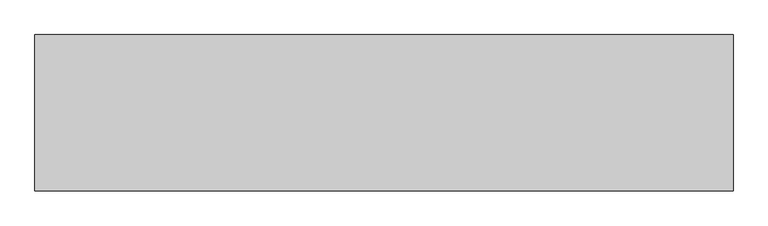
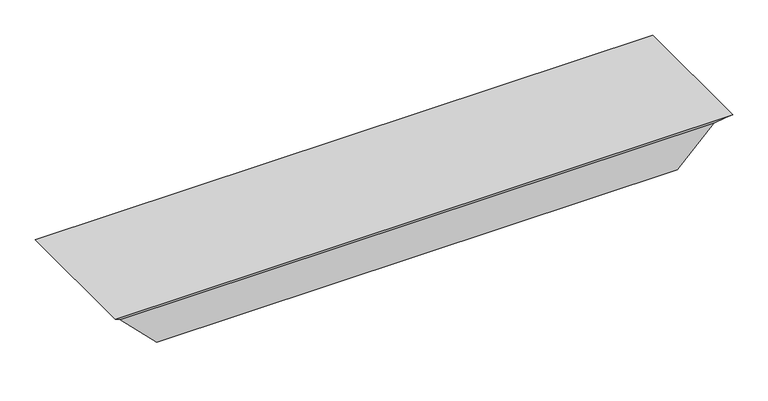
"""IFC4 building model written with IfcOpenShell, lengths in millimetres: proxy geometry."""

from ifc_helpers import new_model, si_unit, origin, place, context, project, spatial, faceted_brep, source, transform, mapped, element, save


def generic_models_a2ac9e7b(model_context):
    return source(origin(), model_context, "Body", "Brep", [
        faceted_brep([(0.0, 202.0, 0.0), (51.5857864, 202.0, -51.5857864), (948.4142136, 202.0, -51.5857864), (1000.0, 202.0, 0.0), (1007.0, 202.0, 7.0), (-7.0, 202.0, 7.0), (-7.0, -22.3847763, 7.0), (1007.0, -22.3847763, 7.0), (11.3847763, -4.0, -11.3847763), (0.0, -15.3847763, 0.0), (1000.0, -15.3847763, 0.0), (988.6152237, -4.0, -11.3847763), (70.7989899, -4.0, -70.7989899), (929.2010101, -4.0, -70.7989899), (70.7989899, -3.0, -70.7989899), (929.2010101, -3.0, -70.7989899), (61.7989899, -3.0, -61.7989899), (938.2010101, -3.0, -61.7989899), (61.7989899, -2.0, -61.7989899), (938.2010101, -2.0, -61.7989899), (71.7989899, -2.0, -71.7989899), (928.2010101, -2.0, -71.7989899), (71.7989899, -5.0, -71.7989899), (928.2010101, -5.0, -71.7989899), (11.7989899, -5.0, -11.7989899), (988.2010101, -5.0, -11.7989899), (0.0, -16.7989899, 0.0), (1000.0, -16.7989899, 0.0), (1008.0, -24.7989899, 8.0), (-8.0, -24.7989899, 8.0), (-8.0, 203.0, 8.0), (1008.0, 203.0, 8.0), (52.0, 203.0, -52.0), (0.0, 203.0, 0.0), (1000.0, 203.0, 0.0), (948.0, 203.0, -52.0), (73.2132034, 181.7867966, -73.2132034), (926.7867966, 181.7867966, -73.2132034), (71.0918831, 179.6654762, -71.0918831), (928.9081169, 179.6654762, -71.0918831), (64.0208153, 186.736544, -64.0208153), (935.9791847, 186.736544, -64.0208153), (64.7279221, 187.4436508, -64.7279221), (935.2720779, 187.4436508, -64.7279221), (71.0918831, 181.0796898, -71.0918831), (928.9081169, 181.0796898, -71.0918831), (71.7989899, 181.7867966, -71.7989899), (928.2010101, 181.7867966, -71.7989899)], [[[0, 1, 2, 3, 4, 5]], [[6, 5, 4, 7]], [[8, 9, 6, 7, 10, 11]], [[12, 8, 11, 13]], [[14, 12, 13, 15]], [[16, 14, 15, 17]], [[18, 16, 17, 19]], [[20, 18, 19, 21]], [[22, 20, 21, 23]], [[24, 22, 23, 25]], [[26, 24, 25, 27, 28, 29]], [[30, 29, 28, 31]], [[32, 33, 30, 31, 34, 35]], [[36, 32, 35, 37]], [[38, 36, 37, 39]], [[40, 38, 39, 41]], [[42, 40, 41, 43]], [[44, 42, 43, 45]], [[46, 44, 45, 47]], [[1, 46, 47, 2]], [[26, 9, 8, 12, 14, 16, 18, 20, 22, 24]], [[0, 33, 32, 36, 38, 40, 42, 44, 46, 1]], [[9, 26, 29, 30, 33, 0, 5, 6]], [[10, 27, 25, 23, 21, 19, 17, 15, 13, 11]], [[34, 3, 2, 47, 45, 43, 41, 39, 37, 35]], [[27, 10, 7, 4, 3, 34, 31, 28]]]),
    ])


if __name__ == "__main__":
    model = new_model("IFC4")
    model_context = context("Model", 3, world=origin())
    ifc_project = project(units=[si_unit("LENGTHUNIT", "METRE", prefix="MILLI")], contexts=[model_context])
    site = spatial("IfcSite", under=ifc_project)
    building = spatial("IfcBuilding", under=site)
    placement = place(None, origin())
    generic_models_shape = generic_models_a2ac9e7b(model_context)
    element("IfcBuildingElementProxy", 1, Name="Generic Models", at=placement, inside=building, context=model_context, shape_type="MappedRepresentation", body=[
        mapped(generic_models_shape, transform((0.0, 0.0, 0.0), x_axis=(1.0, 0.0, 0.0), y_axis=(0.0, 1.0, 0.0), z_axis=(0.0, 0.0, 1.0))),
    ])
    save(model, "model.ifc")
